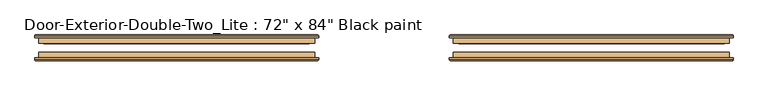
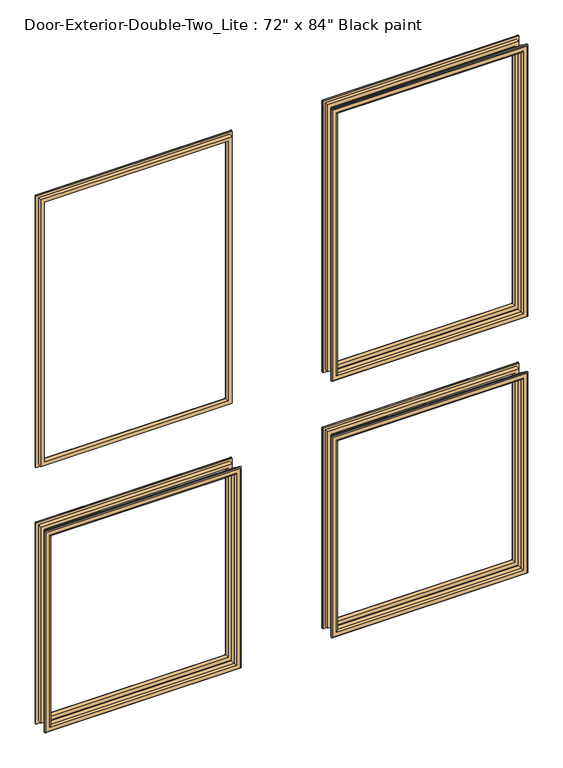
"""IFC4 building model written with IfcOpenShell, lengths in millimetres: door geometry."""

from ifc_helpers import new_model, si_unit, frame, origin, place, context, project, spatial, ellipse_curve, source, transform, mapped, element, save
from ifc_brep_helpers import plane_surface, cylinder_surface, advanced_brep


def door_e8e36a1f(model_context):
    return source(origin(), model_context, "Body", "AdvancedBrep", [
        advanced_brep(
        [(-762.0, 136.525, 914.4), (-762.0, 149.225, 914.4), (-762.0, 149.225, 254.0), (-762.0, 136.525, 254.0), (-750.0, 150.225, 902.4), (-750.0, 136.525, 902.4), (-750.0, 136.525, 266.0), (-750.0, 150.225, 266.0), (-755.0, 155.225, 907.4), (-755.0, 155.225, 261.0), (-770.0, 153.225, 922.4), (-768.0, 155.225, 920.4), (-768.0, 155.225, 248.0), (-770.0, 153.225, 246.0), (-770.0, 149.225, 922.4), (-770.0, 149.225, 246.0), (-152.4, 149.225, 254.0), (-152.4, 136.525, 254.0), (-164.4, 136.525, 266.0), (-164.4, 150.225, 266.0), (-159.4, 155.225, 261.0), (-146.4, 155.225, 248.0), (-144.4, 153.225, 246.0), (-144.4, 149.225, 246.0), (-152.4, 149.225, 914.4), (-152.4, 136.525, 914.4), (-164.4, 136.525, 902.4), (-164.4, 150.225, 902.4), (-159.4, 155.225, 907.4), (-146.4, 155.225, 920.4), (-144.4, 153.225, 922.4), (-144.4, 149.225, 922.4)],
        [
            (0, 1),
            (1, 2),
            (2, 3),
            (3, 0),
            (4, 5),
            (5, 6),
            (6, 7),
            (7, 4),
            (8, 4, ellipse_curve(frame((-755.0, 150.225, 907.4), z_axis=(-0.7071067811865475, 0.0, -0.7071067811865475), x_axis=(-0.7071067811865474, 0.0, 0.7071067811865476)), 7.0710678, 5.0)),
            (7, 9, ellipse_curve(frame((-755.0, 150.225, 261.0), z_axis=(-0.7071067811865475, 0.0, 0.7071067811865475), x_axis=(0.7071067811865474, 0.0, 0.7071067811865476)), 7.0710678, 5.0)),
            (9, 8),
            (10, 11, ellipse_curve(frame((-768.0, 153.225, 920.4), z_axis=(-0.7071067811865475, 0.0, -0.7071067811865475), x_axis=(-0.7071067811865474, 0.0, 0.7071067811865476)), 2.8284271, 2.0)),
            (11, 12),
            (12, 13, ellipse_curve(frame((-768.0, 153.225, 248.0), z_axis=(-0.7071067811865475, 0.0, 0.7071067811865475), x_axis=(0.7071067811865474, 0.0, 0.7071067811865476)), 2.8284271, 2.0)),
            (13, 10),
            (14, 10),
            (13, 15),
            (15, 14),
            (2, 16),
            (16, 17),
            (17, 3),
            (6, 18),
            (18, 19),
            (19, 7),
            (19, 20, ellipse_curve(frame((-159.4, 150.225, 261.0), z_axis=(-0.7071067811865475, 0.0, -0.7071067811865475), x_axis=(-0.7071067811865476, 0.0, 0.7071067811865474)), 7.0710678, 5.0)),
            (20, 9),
            (12, 21),
            (21, 22, ellipse_curve(frame((-146.4, 153.225, 248.0), z_axis=(-0.7071067811865475, 0.0, -0.7071067811865475), x_axis=(-0.7071067811865476, 0.0, 0.7071067811865474)), 2.8284271, 2.0)),
            (22, 13),
            (22, 23),
            (23, 15),
            (16, 24),
            (24, 25),
            (25, 17),
            (18, 26),
            (26, 27),
            (27, 19),
            (27, 28, ellipse_curve(frame((-159.4, 150.225, 907.4), z_axis=(0.7071067811865475, 0.0, -0.7071067811865475), x_axis=(-0.7071067811865474, 0.0, -0.7071067811865476)), 7.0710678, 5.0)),
            (28, 20),
            (21, 29),
            (29, 30, ellipse_curve(frame((-146.4, 153.225, 920.4), z_axis=(0.7071067811865475, 0.0, -0.7071067811865475), x_axis=(-0.7071067811865474, 0.0, -0.7071067811865476)), 2.8284271, 2.0)),
            (30, 22),
            (30, 31),
            (31, 23),
            (31, 14),
            (1, 24),
            (0, 25),
            (5, 26),
            (4, 27),
            (8, 28),
            (11, 29),
            (10, 30),
        ],
        [
            plane_surface(frame((-762.0, 149.225, 914.4), z_axis=(-1.0, 0.0, 0.0), x_axis=(0.0, 0.0, -1.0))),
            plane_surface(frame((-750.0, 136.525, 902.4), z_axis=(1.0, 0.0, 0.0), x_axis=(0.0, 0.0, -1.0))),
            cylinder_surface(frame((-755.0, 150.225, 914.4), z_axis=(0.0, 0.0, 1.0), x_axis=(-1.0, 0.0, 0.0)), 5.0),
            cylinder_surface(frame((-768.0, 153.225, 914.4), z_axis=(0.0, 0.0, 1.0), x_axis=(-1.0, 0.0, 0.0)), 2.0),
            plane_surface(frame((-770.0, 153.225, 922.4), z_axis=(-1.0, 0.0, 0.0), x_axis=(0.0, 0.0, -1.0))),
            plane_surface(frame((-762.0, 149.225, 254.0), z_axis=(0.0, 0.0, -1.0), x_axis=(1.0, 0.0, 0.0))),
            plane_surface(frame((-750.0, 136.525, 266.0), z_axis=(0.0, 0.0, 1.0), x_axis=(1.0, 0.0, 0.0))),
            cylinder_surface(frame((-762.0, 150.225, 261.0), z_axis=(-1.0, 0.0, 0.0), x_axis=(0.0, 0.0, -1.0)), 5.0),
            cylinder_surface(frame((-762.0, 153.225, 248.0), z_axis=(-1.0, 0.0, 0.0), x_axis=(0.0, 0.0, -1.0)), 2.0),
            plane_surface(frame((-770.0, 153.225, 246.0), z_axis=(0.0, 0.0, -1.0), x_axis=(1.0, 0.0, 0.0))),
            plane_surface(frame((-152.4, 149.225, 254.0), z_axis=(1.0, 0.0, 0.0), x_axis=(0.0, 0.0, 1.0))),
            plane_surface(frame((-164.4, 136.525, 266.0), z_axis=(-1.0, 0.0, 0.0), x_axis=(0.0, 0.0, 1.0))),
            cylinder_surface(frame((-159.4, 150.225, 254.0), z_axis=(0.0, 0.0, -1.0), x_axis=(1.0, 0.0, 0.0)), 5.0),
            cylinder_surface(frame((-146.4, 153.225, 254.0), z_axis=(0.0, 0.0, -1.0), x_axis=(1.0, 0.0, 0.0)), 2.0),
            plane_surface(frame((-144.4, 153.225, 246.0), z_axis=(1.0, 0.0, 0.0), x_axis=(0.0, 0.0, 1.0))),
            plane_surface(frame((-144.4, 149.225, 922.4), z_axis=(0.0, -1.0, 0.0), x_axis=(-1.0, 0.0, 0.0))),
            plane_surface(frame((-152.4, 149.225, 914.4), z_axis=(0.0, 0.0, 1.0), x_axis=(-1.0, 0.0, 0.0))),
            plane_surface(frame((-152.4, 136.525, 914.4), z_axis=(0.0, -1.0, 0.0), x_axis=(-1.0, 0.0, 0.0))),
            plane_surface(frame((-164.4, 136.525, 902.4), z_axis=(0.0, 0.0, -1.0), x_axis=(-1.0, 0.0, 0.0))),
            cylinder_surface(frame((-152.4, 150.225, 907.4), z_axis=(1.0, 0.0, 0.0), x_axis=(0.0, 0.0, 1.0)), 5.0),
            plane_surface(frame((-159.4, 155.225, 907.4), z_axis=(0.0, 1.0, 0.0), x_axis=(-1.0, 0.0, 0.0))),
            cylinder_surface(frame((-152.4, 153.225, 920.4), z_axis=(1.0, 0.0, 0.0), x_axis=(0.0, 0.0, 1.0)), 2.0),
            plane_surface(frame((-144.4, 153.225, 922.4), z_axis=(0.0, 0.0, 1.0), x_axis=(-1.0, 0.0, 0.0))),
        ],
        [
            (0, [[1, 2, 3, 4]]),
            (1, [[5, 6, 7, 8]]),
            (2, [[9, -8, 10, 11]]),
            (3, [[12, 13, 14, 15]]),
            (4, [[16, -15, 17, 18]]),
            (5, [[-3, 19, 20, 21]]),
            (6, [[-7, 22, 23, 24]]),
            (7, [[-10, -24, 25, 26]]),
            (8, [[-14, 27, 28, 29]]),
            (9, [[-17, -29, 30, 31]]),
            (10, [[-20, 32, 33, 34]]),
            (11, [[-23, 35, 36, 37]]),
            (12, [[-25, -37, 38, 39]]),
            (13, [[-28, 40, 41, 42]]),
            (14, [[-30, -42, 43, 44]]),
            (15, [[-31, -44, 45, -18], [46, -32, -19, -2]]),
            (16, [[-33, -46, -1, 47]]),
            (17, [[-21, -34, -47, -4], [48, -35, -22, -6]]),
            (18, [[-36, -48, -5, 49]]),
            (19, [[-38, -49, -9, 50]]),
            (20, [[51, -40, -27, -13], [-26, -39, -50, -11]]),
            (21, [[-41, -51, -12, 52]]),
            (22, [[-43, -52, -16, -45]]),
        ],
    ),
        advanced_brep(
        [(152.4, 136.525, 914.4), (152.4, 149.225, 914.4), (152.4, 149.225, 254.0), (152.4, 136.525, 254.0), (164.4, 150.225, 902.4), (164.4, 136.525, 902.4), (164.4, 136.525, 266.0), (164.4, 150.225, 266.0), (159.4, 155.225, 907.4), (159.4, 155.225, 261.0), (144.4, 153.225, 922.4), (146.4, 155.225, 920.4), (146.4, 155.225, 248.0), (144.4, 153.225, 246.0), (144.4, 149.225, 922.4), (144.4, 149.225, 246.0), (762.0, 149.225, 254.0), (762.0, 136.525, 254.0), (750.0, 136.525, 266.0), (750.0, 150.225, 266.0), (755.0, 155.225, 261.0), (768.0, 155.225, 248.0), (770.0, 153.225, 246.0), (770.0, 149.225, 246.0), (762.0, 149.225, 914.4), (762.0, 136.525, 914.4), (750.0, 136.525, 902.4), (750.0, 150.225, 902.4), (755.0, 155.225, 907.4), (768.0, 155.225, 920.4), (770.0, 153.225, 922.4), (770.0, 149.225, 922.4)],
        [
            (0, 1),
            (1, 2),
            (2, 3),
            (3, 0),
            (4, 5),
            (5, 6),
            (6, 7),
            (7, 4),
            (8, 4, ellipse_curve(frame((159.4, 150.225, 907.4), z_axis=(-0.7071067811865475, 0.0, -0.7071067811865475), x_axis=(-0.7071067811865474, 0.0, 0.7071067811865476)), 7.0710678, 5.0)),
            (7, 9, ellipse_curve(frame((159.4, 150.225, 261.0), z_axis=(-0.7071067811865475, 0.0, 0.7071067811865475), x_axis=(0.7071067811865474, 0.0, 0.7071067811865476)), 7.0710678, 5.0)),
            (9, 8),
            (10, 11, ellipse_curve(frame((146.4, 153.225, 920.4), z_axis=(-0.7071067811865475, 0.0, -0.7071067811865475), x_axis=(-0.7071067811865474, 0.0, 0.7071067811865476)), 2.8284271, 2.0)),
            (11, 12),
            (12, 13, ellipse_curve(frame((146.4, 153.225, 248.0), z_axis=(-0.7071067811865475, 0.0, 0.7071067811865475), x_axis=(0.7071067811865474, 0.0, 0.7071067811865476)), 2.8284271, 2.0)),
            (13, 10),
            (14, 10),
            (13, 15),
            (15, 14),
            (2, 16),
            (16, 17),
            (17, 3),
            (6, 18),
            (18, 19),
            (19, 7),
            (19, 20, ellipse_curve(frame((755.0, 150.225, 261.0), z_axis=(-0.7071067811865475, 0.0, -0.7071067811865475), x_axis=(-0.7071067811865476, 0.0, 0.7071067811865474)), 7.0710678, 5.0)),
            (20, 9),
            (12, 21),
            (21, 22, ellipse_curve(frame((768.0, 153.225, 248.0), z_axis=(-0.7071067811865475, 0.0, -0.7071067811865475), x_axis=(-0.7071067811865476, 0.0, 0.7071067811865474)), 2.8284271, 2.0)),
            (22, 13),
            (22, 23),
            (23, 15),
            (16, 24),
            (24, 25),
            (25, 17),
            (18, 26),
            (26, 27),
            (27, 19),
            (27, 28, ellipse_curve(frame((755.0, 150.225, 907.4), z_axis=(0.7071067811865475, 0.0, -0.7071067811865475), x_axis=(-0.7071067811865474, 0.0, -0.7071067811865476)), 7.0710678, 5.0)),
            (28, 20),
            (21, 29),
            (29, 30, ellipse_curve(frame((768.0, 153.225, 920.4), z_axis=(0.7071067811865475, 0.0, -0.7071067811865475), x_axis=(-0.7071067811865474, 0.0, -0.7071067811865476)), 2.8284271, 2.0)),
            (30, 22),
            (30, 31),
            (31, 23),
            (31, 14),
            (1, 24),
            (0, 25),
            (5, 26),
            (4, 27),
            (8, 28),
            (11, 29),
            (10, 30),
        ],
        [
            plane_surface(frame((152.4, 149.225, 914.4), z_axis=(-1.0, 0.0, 0.0), x_axis=(0.0, 0.0, -1.0))),
            plane_surface(frame((164.4, 136.525, 902.4), z_axis=(1.0, 0.0, 0.0), x_axis=(0.0, 0.0, -1.0))),
            cylinder_surface(frame((159.4, 150.225, 914.4), z_axis=(0.0, 0.0, 1.0), x_axis=(-1.0, 0.0, 0.0)), 5.0),
            cylinder_surface(frame((146.4, 153.225, 914.4), z_axis=(0.0, 0.0, 1.0), x_axis=(-1.0, 0.0, 0.0)), 2.0),
            plane_surface(frame((144.4, 153.225, 922.4), z_axis=(-1.0, 0.0, 0.0), x_axis=(0.0, 0.0, -1.0))),
            plane_surface(frame((152.4, 149.225, 254.0), z_axis=(0.0, 0.0, -1.0), x_axis=(1.0, 0.0, 0.0))),
            plane_surface(frame((164.4, 136.525, 266.0), z_axis=(0.0, 0.0, 1.0), x_axis=(1.0, 0.0, 0.0))),
            cylinder_surface(frame((152.4, 150.225, 261.0), z_axis=(-1.0, 0.0, 0.0), x_axis=(0.0, 0.0, -1.0)), 5.0),
            cylinder_surface(frame((152.4, 153.225, 248.0), z_axis=(-1.0, 0.0, 0.0), x_axis=(0.0, 0.0, -1.0)), 2.0),
            plane_surface(frame((144.4, 153.225, 246.0), z_axis=(0.0, 0.0, -1.0), x_axis=(1.0, 0.0, 0.0))),
            plane_surface(frame((762.0, 149.225, 254.0), z_axis=(1.0, 0.0, 0.0), x_axis=(0.0, 0.0, 1.0))),
            plane_surface(frame((750.0, 136.525, 266.0), z_axis=(-1.0, 0.0, 0.0), x_axis=(0.0, 0.0, 1.0))),
            cylinder_surface(frame((755.0, 150.225, 254.0), z_axis=(0.0, 0.0, -1.0), x_axis=(1.0, 0.0, 0.0)), 5.0),
            cylinder_surface(frame((768.0, 153.225, 254.0), z_axis=(0.0, 0.0, -1.0), x_axis=(1.0, 0.0, 0.0)), 2.0),
            plane_surface(frame((770.0, 153.225, 246.0), z_axis=(1.0, 0.0, 0.0), x_axis=(0.0, 0.0, 1.0))),
            plane_surface(frame((770.0, 149.225, 922.4), z_axis=(0.0, -1.0, 0.0), x_axis=(-1.0, 0.0, 0.0))),
            plane_surface(frame((762.0, 149.225, 914.4), z_axis=(0.0, 0.0, 1.0), x_axis=(-1.0, 0.0, 0.0))),
            plane_surface(frame((762.0, 136.525, 914.4), z_axis=(0.0, -1.0, 0.0), x_axis=(-1.0, 0.0, 0.0))),
            plane_surface(frame((750.0, 136.525, 902.4), z_axis=(0.0, 0.0, -1.0), x_axis=(-1.0, 0.0, 0.0))),
            cylinder_surface(frame((762.0, 150.225, 907.4), z_axis=(1.0, 0.0, 0.0), x_axis=(0.0, 0.0, 1.0)), 5.0),
            plane_surface(frame((755.0, 155.225, 907.4), z_axis=(0.0, 1.0, 0.0), x_axis=(-1.0, 0.0, 0.0))),
            cylinder_surface(frame((762.0, 153.225, 920.4), z_axis=(1.0, 0.0, 0.0), x_axis=(0.0, 0.0, 1.0)), 2.0),
            plane_surface(frame((770.0, 153.225, 922.4), z_axis=(0.0, 0.0, 1.0), x_axis=(-1.0, 0.0, 0.0))),
        ],
        [
            (0, [[1, 2, 3, 4]]),
            (1, [[5, 6, 7, 8]]),
            (2, [[9, -8, 10, 11]]),
            (3, [[12, 13, 14, 15]]),
            (4, [[16, -15, 17, 18]]),
            (5, [[-3, 19, 20, 21]]),
            (6, [[-7, 22, 23, 24]]),
            (7, [[-10, -24, 25, 26]]),
            (8, [[-14, 27, 28, 29]]),
            (9, [[-17, -29, 30, 31]]),
            (10, [[-20, 32, 33, 34]]),
            (11, [[-23, 35, 36, 37]]),
            (12, [[-25, -37, 38, 39]]),
            (13, [[-28, 40, 41, 42]]),
            (14, [[-30, -42, 43, 44]]),
            (15, [[-31, -44, 45, -18], [46, -32, -19, -2]]),
            (16, [[-33, -46, -1, 47]]),
            (17, [[-21, -34, -47, -4], [48, -35, -22, -6]]),
            (18, [[-36, -48, -5, 49]]),
            (19, [[-38, -49, -9, 50]]),
            (20, [[51, -40, -27, -13], [-26, -39, -50, -11]]),
            (21, [[-41, -51, -12, 52]]),
            (22, [[-43, -52, -16, -45]]),
        ],
    ),
        advanced_brep(
        [(152.4, 136.525, 2016.125), (152.4, 149.225, 2016.125), (152.4, 149.225, 1117.6), (152.4, 136.525, 1117.6), (164.4, 150.225, 2004.125), (164.4, 136.525, 2004.125), (164.4, 136.525, 1129.6), (164.4, 150.225, 1129.6), (159.4, 155.225, 2009.125), (159.4, 155.225, 1124.6), (144.4, 153.225, 2024.125), (146.4, 155.225, 2022.125), (146.4, 155.225, 1111.6), (144.4, 153.225, 1109.6), (144.4, 149.225, 2024.125), (144.4, 149.225, 1109.6), (762.0, 149.225, 1117.6), (762.0, 136.525, 1117.6), (750.0, 136.525, 1129.6), (750.0, 150.225, 1129.6), (755.0, 155.225, 1124.6), (768.0, 155.225, 1111.6), (770.0, 153.225, 1109.6), (770.0, 149.225, 1109.6), (762.0, 149.225, 2016.125), (762.0, 136.525, 2016.125), (750.0, 136.525, 2004.125), (750.0, 150.225, 2004.125), (755.0, 155.225, 2009.125), (768.0, 155.225, 2022.125), (770.0, 153.225, 2024.125), (770.0, 149.225, 2024.125)],
        [
            (0, 1),
            (1, 2),
            (2, 3),
            (3, 0),
            (4, 5),
            (5, 6),
            (6, 7),
            (7, 4),
            (8, 4, ellipse_curve(frame((159.4, 150.225, 2009.125), z_axis=(-0.7071067811865475, 0.0, -0.7071067811865475), x_axis=(-0.7071067811865474, 0.0, 0.7071067811865476)), 7.0710678, 5.0)),
            (7, 9, ellipse_curve(frame((159.4, 150.225, 1124.6), z_axis=(-0.7071067811865475, 0.0, 0.7071067811865475), x_axis=(0.7071067811865474, 0.0, 0.7071067811865476)), 7.0710678, 5.0)),
            (9, 8),
            (10, 11, ellipse_curve(frame((146.4, 153.225, 2022.125), z_axis=(-0.7071067811865475, 0.0, -0.7071067811865475), x_axis=(-0.7071067811865474, 0.0, 0.7071067811865476)), 2.8284271, 2.0)),
            (11, 12),
            (12, 13, ellipse_curve(frame((146.4, 153.225, 1111.6), z_axis=(-0.7071067811865475, 0.0, 0.7071067811865475), x_axis=(0.7071067811865474, 0.0, 0.7071067811865476)), 2.8284271, 2.0)),
            (13, 10),
            (14, 10),
            (13, 15),
            (15, 14),
            (2, 16),
            (16, 17),
            (17, 3),
            (6, 18),
            (18, 19),
            (19, 7),
            (19, 20, ellipse_curve(frame((755.0, 150.225, 1124.6), z_axis=(-0.7071067811865475, 0.0, -0.7071067811865475), x_axis=(-0.7071067811865476, 0.0, 0.7071067811865474)), 7.0710678, 5.0)),
            (20, 9),
            (12, 21),
            (21, 22, ellipse_curve(frame((768.0, 153.225, 1111.6), z_axis=(-0.7071067811865475, 0.0, -0.7071067811865475), x_axis=(-0.7071067811865476, 0.0, 0.7071067811865474)), 2.8284271, 2.0)),
            (22, 13),
            (22, 23),
            (23, 15),
            (16, 24),
            (24, 25),
            (25, 17),
            (18, 26),
            (26, 27),
            (27, 19),
            (27, 28, ellipse_curve(frame((755.0, 150.225, 2009.125), z_axis=(0.7071067811865475, 0.0, -0.7071067811865475), x_axis=(-0.7071067811865474, 0.0, -0.7071067811865476)), 7.0710678, 5.0)),
            (28, 20),
            (21, 29),
            (29, 30, ellipse_curve(frame((768.0, 153.225, 2022.125), z_axis=(0.7071067811865475, 0.0, -0.7071067811865475), x_axis=(-0.7071067811865474, 0.0, -0.7071067811865476)), 2.8284271, 2.0)),
            (30, 22),
            (30, 31),
            (31, 23),
            (31, 14),
            (1, 24),
            (0, 25),
            (5, 26),
            (4, 27),
            (8, 28),
            (11, 29),
            (10, 30),
        ],
        [
            plane_surface(frame((152.4, 149.225, 2016.125), z_axis=(-1.0, 0.0, 0.0), x_axis=(0.0, 0.0, -1.0))),
            plane_surface(frame((164.4, 136.525, 2004.125), z_axis=(1.0, 0.0, 0.0), x_axis=(0.0, 0.0, -1.0))),
            cylinder_surface(frame((159.4, 150.225, 2016.125), z_axis=(0.0, 0.0, 1.0), x_axis=(-1.0, 0.0, 0.0)), 5.0),
            cylinder_surface(frame((146.4, 153.225, 2016.125), z_axis=(0.0, 0.0, 1.0), x_axis=(-1.0, 0.0, 0.0)), 2.0),
            plane_surface(frame((144.4, 153.225, 2024.125), z_axis=(-1.0, 0.0, 0.0), x_axis=(0.0, 0.0, -1.0))),
            plane_surface(frame((152.4, 149.225, 1117.6), z_axis=(0.0, 0.0, -1.0), x_axis=(1.0, 0.0, 0.0))),
            plane_surface(frame((164.4, 136.525, 1129.6), z_axis=(0.0, 0.0, 1.0), x_axis=(1.0, 0.0, 0.0))),
            cylinder_surface(frame((152.4, 150.225, 1124.6), z_axis=(-1.0, 0.0, 0.0), x_axis=(0.0, 0.0, -1.0)), 5.0),
            cylinder_surface(frame((152.4, 153.225, 1111.6), z_axis=(-1.0, 0.0, 0.0), x_axis=(0.0, 0.0, -1.0)), 2.0),
            plane_surface(frame((144.4, 153.225, 1109.6), z_axis=(0.0, 0.0, -1.0), x_axis=(1.0, 0.0, 0.0))),
            plane_surface(frame((762.0, 149.225, 1117.6), z_axis=(1.0, 0.0, 0.0), x_axis=(0.0, 0.0, 1.0))),
            plane_surface(frame((750.0, 136.525, 1129.6), z_axis=(-1.0, 0.0, 0.0), x_axis=(0.0, 0.0, 1.0))),
            cylinder_surface(frame((755.0, 150.225, 1117.6), z_axis=(0.0, 0.0, -1.0), x_axis=(1.0, 0.0, 0.0)), 5.0),
            cylinder_surface(frame((768.0, 153.225, 1117.6), z_axis=(0.0, 0.0, -1.0), x_axis=(1.0, 0.0, 0.0)), 2.0),
            plane_surface(frame((770.0, 153.225, 1109.6), z_axis=(1.0, 0.0, 0.0), x_axis=(0.0, 0.0, 1.0))),
            plane_surface(frame((770.0, 149.225, 2024.125), z_axis=(0.0, -1.0, 0.0), x_axis=(-1.0, 0.0, 0.0))),
            plane_surface(frame((762.0, 149.225, 2016.125), z_axis=(0.0, 0.0, 1.0), x_axis=(-1.0, 0.0, 0.0))),
            plane_surface(frame((762.0, 136.525, 2016.125), z_axis=(0.0, -1.0, 0.0), x_axis=(-1.0, 0.0, 0.0))),
            plane_surface(frame((750.0, 136.525, 2004.125), z_axis=(0.0, 0.0, -1.0), x_axis=(-1.0, 0.0, 0.0))),
            cylinder_surface(frame((762.0, 150.225, 2009.125), z_axis=(1.0, 0.0, 0.0), x_axis=(0.0, 0.0, 1.0)), 5.0),
            plane_surface(frame((755.0, 155.225, 2009.125), z_axis=(0.0, 1.0, 0.0), x_axis=(-1.0, 0.0, 0.0))),
            cylinder_surface(frame((762.0, 153.225, 2022.125), z_axis=(1.0, 0.0, 0.0), x_axis=(0.0, 0.0, 1.0)), 2.0),
            plane_surface(frame((770.0, 153.225, 2024.125), z_axis=(0.0, 0.0, 1.0), x_axis=(-1.0, 0.0, 0.0))),
        ],
        [
            (0, [[1, 2, 3, 4]]),
            (1, [[5, 6, 7, 8]]),
            (2, [[9, -8, 10, 11]]),
            (3, [[12, 13, 14, 15]]),
            (4, [[16, -15, 17, 18]]),
            (5, [[-3, 19, 20, 21]]),
            (6, [[-7, 22, 23, 24]]),
            (7, [[-10, -24, 25, 26]]),
            (8, [[-14, 27, 28, 29]]),
            (9, [[-17, -29, 30, 31]]),
            (10, [[-20, 32, 33, 34]]),
            (11, [[-23, 35, 36, 37]]),
            (12, [[-25, -37, 38, 39]]),
            (13, [[-28, 40, 41, 42]]),
            (14, [[-30, -42, 43, 44]]),
            (15, [[-31, -44, 45, -18], [46, -32, -19, -2]]),
            (16, [[-33, -46, -1, 47]]),
            (17, [[-21, -34, -47, -4], [48, -35, -22, -6]]),
            (18, [[-36, -48, -5, 49]]),
            (19, [[-38, -49, -9, 50]]),
            (20, [[51, -40, -27, -13], [-26, -39, -50, -11]]),
            (21, [[-41, -51, -12, 52]]),
            (22, [[-43, -52, -16, -45]]),
        ],
    ),
        advanced_brep(
        [(-762.0, 136.525, 2016.125), (-762.0, 149.225, 2016.125), (-762.0, 149.225, 1117.6), (-762.0, 136.525, 1117.6), (-750.0, 150.225, 2004.125), (-750.0, 136.525, 2004.125), (-750.0, 136.525, 1129.6), (-750.0, 150.225, 1129.6), (-755.0, 155.225, 2009.125), (-755.0, 155.225, 1124.6), (-770.0, 153.225, 2024.125), (-768.0, 155.225, 2022.125), (-768.0, 155.225, 1111.6), (-770.0, 153.225, 1109.6), (-770.0, 149.225, 2024.125), (-770.0, 149.225, 1109.6), (-152.4, 149.225, 1117.6), (-152.4, 136.525, 1117.6), (-164.4, 136.525, 1129.6), (-164.4, 150.225, 1129.6), (-159.4, 155.225, 1124.6), (-146.4, 155.225, 1111.6), (-144.4, 153.225, 1109.6), (-144.4, 149.225, 1109.6), (-152.4, 149.225, 2016.125), (-152.4, 136.525, 2016.125), (-164.4, 136.525, 2004.125), (-164.4, 150.225, 2004.125), (-159.4, 155.225, 2009.125), (-146.4, 155.225, 2022.125), (-144.4, 153.225, 2024.125), (-144.4, 149.225, 2024.125)],
        [
            (0, 1),
            (1, 2),
            (2, 3),
            (3, 0),
            (4, 5),
            (5, 6),
            (6, 7),
            (7, 4),
            (8, 4, ellipse_curve(frame((-755.0, 150.225, 2009.125), z_axis=(-0.7071067811865475, 0.0, -0.7071067811865475), x_axis=(-0.7071067811865474, 0.0, 0.7071067811865476)), 7.0710678, 5.0)),
            (7, 9, ellipse_curve(frame((-755.0, 150.225, 1124.6), z_axis=(-0.7071067811865475, 0.0, 0.7071067811865475), x_axis=(0.7071067811865474, 0.0, 0.7071067811865476)), 7.0710678, 5.0)),
            (9, 8),
            (10, 11, ellipse_curve(frame((-768.0, 153.225, 2022.125), z_axis=(-0.7071067811865475, 0.0, -0.7071067811865475), x_axis=(-0.7071067811865474, 0.0, 0.7071067811865476)), 2.8284271, 2.0)),
            (11, 12),
            (12, 13, ellipse_curve(frame((-768.0, 153.225, 1111.6), z_axis=(-0.7071067811865475, 0.0, 0.7071067811865475), x_axis=(0.7071067811865474, 0.0, 0.7071067811865476)), 2.8284271, 2.0)),
            (13, 10),
            (14, 10),
            (13, 15),
            (15, 14),
            (2, 16),
            (16, 17),
            (17, 3),
            (6, 18),
            (18, 19),
            (19, 7),
            (19, 20, ellipse_curve(frame((-159.4, 150.225, 1124.6), z_axis=(-0.7071067811865475, 0.0, -0.7071067811865475), x_axis=(-0.7071067811865476, 0.0, 0.7071067811865474)), 7.0710678, 5.0)),
            (20, 9),
            (12, 21),
            (21, 22, ellipse_curve(frame((-146.4, 153.225, 1111.6), z_axis=(-0.7071067811865475, 0.0, -0.7071067811865475), x_axis=(-0.7071067811865476, 0.0, 0.7071067811865474)), 2.8284271, 2.0)),
            (22, 13),
            (22, 23),
            (23, 15),
            (16, 24),
            (24, 25),
            (25, 17),
            (18, 26),
            (26, 27),
            (27, 19),
            (27, 28, ellipse_curve(frame((-159.4, 150.225, 2009.125), z_axis=(0.7071067811865475, 0.0, -0.7071067811865475), x_axis=(-0.7071067811865474, 0.0, -0.7071067811865476)), 7.0710678, 5.0)),
            (28, 20),
            (21, 29),
            (29, 30, ellipse_curve(frame((-146.4, 153.225, 2022.125), z_axis=(0.7071067811865475, 0.0, -0.7071067811865475), x_axis=(-0.7071067811865474, 0.0, -0.7071067811865476)), 2.8284271, 2.0)),
            (30, 22),
            (30, 31),
            (31, 23),
            (31, 14),
            (1, 24),
            (0, 25),
            (5, 26),
            (4, 27),
            (8, 28),
            (11, 29),
            (10, 30),
        ],
        [
            plane_surface(frame((-762.0, 149.225, 2016.125), z_axis=(-1.0, 0.0, 0.0), x_axis=(0.0, 0.0, -1.0))),
            plane_surface(frame((-750.0, 136.525, 2004.125), z_axis=(1.0, 0.0, 0.0), x_axis=(0.0, 0.0, -1.0))),
            cylinder_surface(frame((-755.0, 150.225, 2016.125), z_axis=(0.0, 0.0, 1.0), x_axis=(-1.0, 0.0, 0.0)), 5.0),
            cylinder_surface(frame((-768.0, 153.225, 2016.125), z_axis=(0.0, 0.0, 1.0), x_axis=(-1.0, 0.0, 0.0)), 2.0),
            plane_surface(frame((-770.0, 153.225, 2024.125), z_axis=(-1.0, 0.0, 0.0), x_axis=(0.0, 0.0, -1.0))),
            plane_surface(frame((-762.0, 149.225, 1117.6), z_axis=(0.0, 0.0, -1.0), x_axis=(1.0, 0.0, 0.0))),
            plane_surface(frame((-750.0, 136.525, 1129.6), z_axis=(0.0, 0.0, 1.0), x_axis=(1.0, 0.0, 0.0))),
            cylinder_surface(frame((-762.0, 150.225, 1124.6), z_axis=(-1.0, 0.0, 0.0), x_axis=(0.0, 0.0, -1.0)), 5.0),
            cylinder_surface(frame((-762.0, 153.225, 1111.6), z_axis=(-1.0, 0.0, 0.0), x_axis=(0.0, 0.0, -1.0)), 2.0),
            plane_surface(frame((-770.0, 153.225, 1109.6), z_axis=(0.0, 0.0, -1.0), x_axis=(1.0, 0.0, 0.0))),
            plane_surface(frame((-152.4, 149.225, 1117.6), z_axis=(1.0, 0.0, 0.0), x_axis=(0.0, 0.0, 1.0))),
            plane_surface(frame((-164.4, 136.525, 1129.6), z_axis=(-1.0, 0.0, 0.0), x_axis=(0.0, 0.0, 1.0))),
            cylinder_surface(frame((-159.4, 150.225, 1117.6), z_axis=(0.0, 0.0, -1.0), x_axis=(1.0, 0.0, 0.0)), 5.0),
            cylinder_surface(frame((-146.4, 153.225, 1117.6), z_axis=(0.0, 0.0, -1.0), x_axis=(1.0, 0.0, 0.0)), 2.0),
            plane_surface(frame((-144.4, 153.225, 1109.6), z_axis=(1.0, 0.0, 0.0), x_axis=(0.0, 0.0, 1.0))),
            plane_surface(frame((-144.4, 149.225, 2024.125), z_axis=(0.0, -1.0, 0.0), x_axis=(-1.0, 0.0, 0.0))),
            plane_surface(frame((-152.4, 149.225, 2016.125), z_axis=(0.0, 0.0, 1.0), x_axis=(-1.0, 0.0, 0.0))),
            plane_surface(frame((-152.4, 136.525, 2016.125), z_axis=(0.0, -1.0, 0.0), x_axis=(-1.0, 0.0, 0.0))),
            plane_surface(frame((-164.4, 136.525, 2004.125), z_axis=(0.0, 0.0, -1.0), x_axis=(-1.0, 0.0, 0.0))),
            cylinder_surface(frame((-152.4, 150.225, 2009.125), z_axis=(1.0, 0.0, 0.0), x_axis=(0.0, 0.0, 1.0)), 5.0),
            plane_surface(frame((-159.4, 155.225, 2009.125), z_axis=(0.0, 1.0, 0.0), x_axis=(-1.0, 0.0, 0.0))),
            cylinder_surface(frame((-152.4, 153.225, 2022.125), z_axis=(1.0, 0.0, 0.0), x_axis=(0.0, 0.0, 1.0)), 2.0),
            plane_surface(frame((-144.4, 153.225, 2024.125), z_axis=(0.0, 0.0, 1.0), x_axis=(-1.0, 0.0, 0.0))),
        ],
        [
            (0, [[1, 2, 3, 4]]),
            (1, [[5, 6, 7, 8]]),
            (2, [[9, -8, 10, 11]]),
            (3, [[12, 13, 14, 15]]),
            (4, [[16, -15, 17, 18]]),
            (5, [[-3, 19, 20, 21]]),
            (6, [[-7, 22, 23, 24]]),
            (7, [[-10, -24, 25, 26]]),
            (8, [[-14, 27, 28, 29]]),
            (9, [[-17, -29, 30, 31]]),
            (10, [[-20, 32, 33, 34]]),
            (11, [[-23, 35, 36, 37]]),
            (12, [[-25, -37, 38, 39]]),
            (13, [[-28, 40, 41, 42]]),
            (14, [[-30, -42, 43, 44]]),
            (15, [[-31, -44, 45, -18], [46, -32, -19, -2]]),
            (16, [[-33, -46, -1, 47]]),
            (17, [[-21, -34, -47, -4], [48, -35, -22, -6]]),
            (18, [[-36, -48, -5, 49]]),
            (19, [[-38, -49, -9, 50]]),
            (20, [[51, -40, -27, -13], [-26, -39, -50, -11]]),
            (21, [[-41, -51, -12, 52]]),
            (22, [[-43, -52, -16, -45]]),
        ],
    ),
        advanced_brep(
        [(-762.0, 117.475, 254.0), (-762.0, 104.775, 254.0), (-762.0, 104.775, 914.4), (-762.0, 117.475, 914.4), (-750.0, 103.775, 266.0), (-750.0, 117.475, 266.0), (-750.0, 117.475, 902.4), (-750.0, 103.775, 902.4), (-755.0, 98.775, 261.0), (-755.0, 98.775, 907.4), (-770.0, 100.775, 246.0), (-768.0, 98.775, 248.0), (-768.0, 98.775, 920.4), (-770.0, 100.775, 922.4), (-770.0, 104.775, 246.0), (-770.0, 104.775, 922.4), (-152.4, 104.775, 914.4), (-152.4, 117.475, 914.4), (-164.4, 117.475, 902.4), (-164.4, 103.775, 902.4), (-159.4, 98.775, 907.4), (-146.4, 98.775, 920.4), (-144.4, 100.775, 922.4), (-144.4, 104.775, 922.4), (-152.4, 104.775, 254.0), (-152.4, 117.475, 254.0), (-164.4, 117.475, 266.0), (-164.4, 103.775, 266.0), (-159.4, 98.775, 261.0), (-146.4, 98.775, 248.0), (-144.4, 100.775, 246.0), (-144.4, 104.775, 246.0)],
        [
            (0, 1),
            (1, 2),
            (2, 3),
            (3, 0),
            (4, 5),
            (5, 6),
            (6, 7),
            (7, 4),
            (8, 4, ellipse_curve(frame((-755.0, 103.775, 261.0), z_axis=(-0.7071067811865475, 0.0, 0.7071067811865475), x_axis=(-0.7071067811865474, 0.0, -0.7071067811865476)), 7.0710678, 5.0)),
            (7, 9, ellipse_curve(frame((-755.0, 103.775, 907.4), z_axis=(-0.7071067811865475, 0.0, -0.7071067811865475), x_axis=(0.7071067811865474, 0.0, -0.7071067811865476)), 7.0710678, 5.0)),
            (9, 8),
            (10, 11, ellipse_curve(frame((-768.0, 100.775, 248.0), z_axis=(-0.7071067811865475, 0.0, 0.7071067811865475), x_axis=(-0.7071067811865474, 0.0, -0.7071067811865476)), 2.8284271, 2.0)),
            (11, 12),
            (12, 13, ellipse_curve(frame((-768.0, 100.775, 920.4), z_axis=(-0.7071067811865475, 0.0, -0.7071067811865475), x_axis=(0.7071067811865474, 0.0, -0.7071067811865476)), 2.8284271, 2.0)),
            (13, 10),
            (14, 10),
            (13, 15),
            (15, 14),
            (2, 16),
            (16, 17),
            (17, 3),
            (6, 18),
            (18, 19),
            (19, 7),
            (19, 20, ellipse_curve(frame((-159.4, 103.775, 907.4), z_axis=(-0.7071067811865475, 0.0, 0.7071067811865475), x_axis=(-0.7071067811865476, 0.0, -0.7071067811865474)), 7.0710678, 5.0)),
            (20, 9),
            (12, 21),
            (21, 22, ellipse_curve(frame((-146.4, 100.775, 920.4), z_axis=(-0.7071067811865475, 0.0, 0.7071067811865475), x_axis=(-0.7071067811865476, 0.0, -0.7071067811865474)), 2.8284271, 2.0)),
            (22, 13),
            (22, 23),
            (23, 15),
            (16, 24),
            (24, 25),
            (25, 17),
            (18, 26),
            (26, 27),
            (27, 19),
            (27, 28, ellipse_curve(frame((-159.4, 103.775, 261.0), z_axis=(0.7071067811865475, 0.0, 0.7071067811865475), x_axis=(-0.7071067811865474, 0.0, 0.7071067811865476)), 7.0710678, 5.0)),
            (28, 20),
            (21, 29),
            (29, 30, ellipse_curve(frame((-146.4, 100.775, 248.0), z_axis=(0.7071067811865475, 0.0, 0.7071067811865475), x_axis=(-0.7071067811865474, 0.0, 0.7071067811865476)), 2.8284271, 2.0)),
            (30, 22),
            (30, 31),
            (31, 23),
            (31, 14),
            (1, 24),
            (0, 25),
            (5, 26),
            (4, 27),
            (8, 28),
            (11, 29),
            (10, 30),
        ],
        [
            plane_surface(frame((-762.0, 104.775, 254.0), z_axis=(-1.0, 0.0, 0.0), x_axis=(0.0, 0.0, 1.0))),
            plane_surface(frame((-750.0, 117.475, 266.0), z_axis=(1.0, 0.0, 0.0), x_axis=(0.0, 0.0, 1.0))),
            cylinder_surface(frame((-755.0, 103.775, 254.0), z_axis=(0.0, 0.0, -1.0), x_axis=(-1.0, 0.0, 0.0)), 5.0),
            cylinder_surface(frame((-768.0, 100.775, 254.0), z_axis=(0.0, 0.0, -1.0), x_axis=(-1.0, 0.0, 0.0)), 2.0),
            plane_surface(frame((-770.0, 100.775, 246.0), z_axis=(-1.0, 0.0, 0.0), x_axis=(0.0, 0.0, 1.0))),
            plane_surface(frame((-762.0, 104.775, 914.4), z_axis=(0.0, 0.0, 1.0), x_axis=(1.0, 0.0, 0.0))),
            plane_surface(frame((-750.0, 117.475, 902.4), z_axis=(0.0, 0.0, -1.0), x_axis=(1.0, 0.0, 0.0))),
            cylinder_surface(frame((-762.0, 103.775, 907.4), z_axis=(-1.0, 0.0, 0.0), x_axis=(0.0, 0.0, 1.0)), 5.0),
            cylinder_surface(frame((-762.0, 100.775, 920.4), z_axis=(-1.0, 0.0, 0.0), x_axis=(0.0, 0.0, 1.0)), 2.0),
            plane_surface(frame((-770.0, 100.775, 922.4), z_axis=(0.0, 0.0, 1.0), x_axis=(1.0, 0.0, 0.0))),
            plane_surface(frame((-152.4, 104.775, 914.4), z_axis=(1.0, 0.0, 0.0), x_axis=(0.0, 0.0, -1.0))),
            plane_surface(frame((-164.4, 117.475, 902.4), z_axis=(-1.0, 0.0, 0.0), x_axis=(0.0, 0.0, -1.0))),
            cylinder_surface(frame((-159.4, 103.775, 914.4), z_axis=(0.0, 0.0, 1.0), x_axis=(1.0, 0.0, 0.0)), 5.0),
            cylinder_surface(frame((-146.4, 100.775, 914.4), z_axis=(0.0, 0.0, 1.0), x_axis=(1.0, 0.0, 0.0)), 2.0),
            plane_surface(frame((-144.4, 100.775, 922.4), z_axis=(1.0, 0.0, 0.0), x_axis=(0.0, 0.0, -1.0))),
            plane_surface(frame((-144.4, 104.775, 246.0), z_axis=(0.0, 1.0, 0.0), x_axis=(-1.0, 0.0, 0.0))),
            plane_surface(frame((-152.4, 104.775, 254.0), z_axis=(0.0, 0.0, -1.0), x_axis=(-1.0, 0.0, 0.0))),
            plane_surface(frame((-152.4, 117.475, 254.0), z_axis=(0.0, 1.0, 0.0), x_axis=(-1.0, 0.0, 0.0))),
            plane_surface(frame((-164.4, 117.475, 266.0), z_axis=(0.0, 0.0, 1.0), x_axis=(-1.0, 0.0, 0.0))),
            cylinder_surface(frame((-152.4, 103.775, 261.0), z_axis=(1.0, 0.0, 0.0), x_axis=(0.0, 0.0, -1.0)), 5.0),
            plane_surface(frame((-159.4, 98.775, 261.0), z_axis=(0.0, -1.0, 0.0), x_axis=(-1.0, 0.0, 0.0))),
            cylinder_surface(frame((-152.4, 100.775, 248.0), z_axis=(1.0, 0.0, 0.0), x_axis=(0.0, 0.0, -1.0)), 2.0),
            plane_surface(frame((-144.4, 100.775, 246.0), z_axis=(0.0, 0.0, -1.0), x_axis=(-1.0, 0.0, 0.0))),
        ],
        [
            (0, [[1, 2, 3, 4]]),
            (1, [[5, 6, 7, 8]]),
            (2, [[9, -8, 10, 11]]),
            (3, [[12, 13, 14, 15]]),
            (4, [[16, -15, 17, 18]]),
            (5, [[-3, 19, 20, 21]]),
            (6, [[-7, 22, 23, 24]]),
            (7, [[-10, -24, 25, 26]]),
            (8, [[-14, 27, 28, 29]]),
            (9, [[-17, -29, 30, 31]]),
            (10, [[-20, 32, 33, 34]]),
            (11, [[-23, 35, 36, 37]]),
            (12, [[-25, -37, 38, 39]]),
            (13, [[-28, 40, 41, 42]]),
            (14, [[-30, -42, 43, 44]]),
            (15, [[-31, -44, 45, -18], [46, -32, -19, -2]]),
            (16, [[-33, -46, -1, 47]]),
            (17, [[-21, -34, -47, -4], [48, -35, -22, -6]]),
            (18, [[-36, -48, -5, 49]]),
            (19, [[-38, -49, -9, 50]]),
            (20, [[51, -40, -27, -13], [-26, -39, -50, -11]]),
            (21, [[-41, -51, -12, 52]]),
            (22, [[-43, -52, -16, -45]]),
        ],
    ),
        advanced_brep(
        [(152.4, 117.475, 254.0), (152.4, 104.775, 254.0), (152.4, 104.775, 914.4), (152.4, 117.475, 914.4), (164.4, 103.775, 266.0), (164.4, 117.475, 266.0), (164.4, 117.475, 902.4), (164.4, 103.775, 902.4), (159.4, 98.775, 261.0), (159.4, 98.775, 907.4), (144.4, 100.775, 246.0), (146.4, 98.775, 248.0), (146.4, 98.775, 920.4), (144.4, 100.775, 922.4), (144.4, 104.775, 246.0), (144.4, 104.775, 922.4), (762.0, 104.775, 914.4), (762.0, 117.475, 914.4), (750.0, 117.475, 902.4), (750.0, 103.775, 902.4), (755.0, 98.775, 907.4), (768.0, 98.775, 920.4), (770.0, 100.775, 922.4), (770.0, 104.775, 922.4), (762.0, 104.775, 254.0), (762.0, 117.475, 254.0), (750.0, 117.475, 266.0), (750.0, 103.775, 266.0), (755.0, 98.775, 261.0), (768.0, 98.775, 248.0), (770.0, 100.775, 246.0), (770.0, 104.775, 246.0)],
        [
            (0, 1),
            (1, 2),
            (2, 3),
            (3, 0),
            (4, 5),
            (5, 6),
            (6, 7),
            (7, 4),
            (8, 4, ellipse_curve(frame((159.4, 103.775, 261.0), z_axis=(-0.7071067811865475, 0.0, 0.7071067811865475), x_axis=(-0.7071067811865474, 0.0, -0.7071067811865476)), 7.0710678, 5.0)),
            (7, 9, ellipse_curve(frame((159.4, 103.775, 907.4), z_axis=(-0.7071067811865475, 0.0, -0.7071067811865475), x_axis=(0.7071067811865474, 0.0, -0.7071067811865476)), 7.0710678, 5.0)),
            (9, 8),
            (10, 11, ellipse_curve(frame((146.4, 100.775, 248.0), z_axis=(-0.7071067811865475, 0.0, 0.7071067811865475), x_axis=(-0.7071067811865474, 0.0, -0.7071067811865476)), 2.8284271, 2.0)),
            (11, 12),
            (12, 13, ellipse_curve(frame((146.4, 100.775, 920.4), z_axis=(-0.7071067811865475, 0.0, -0.7071067811865475), x_axis=(0.7071067811865474, 0.0, -0.7071067811865476)), 2.8284271, 2.0)),
            (13, 10),
            (14, 10),
            (13, 15),
            (15, 14),
            (2, 16),
            (16, 17),
            (17, 3),
            (6, 18),
            (18, 19),
            (19, 7),
            (19, 20, ellipse_curve(frame((755.0, 103.775, 907.4), z_axis=(-0.7071067811865475, 0.0, 0.7071067811865475), x_axis=(-0.7071067811865476, 0.0, -0.7071067811865474)), 7.0710678, 5.0)),
            (20, 9),
            (12, 21),
            (21, 22, ellipse_curve(frame((768.0, 100.775, 920.4), z_axis=(-0.7071067811865475, 0.0, 0.7071067811865475), x_axis=(-0.7071067811865476, 0.0, -0.7071067811865474)), 2.8284271, 2.0)),
            (22, 13),
            (22, 23),
            (23, 15),
            (16, 24),
            (24, 25),
            (25, 17),
            (18, 26),
            (26, 27),
            (27, 19),
            (27, 28, ellipse_curve(frame((755.0, 103.775, 261.0), z_axis=(0.7071067811865475, 0.0, 0.7071067811865475), x_axis=(-0.7071067811865474, 0.0, 0.7071067811865476)), 7.0710678, 5.0)),
            (28, 20),
            (21, 29),
            (29, 30, ellipse_curve(frame((768.0, 100.775, 248.0), z_axis=(0.7071067811865475, 0.0, 0.7071067811865475), x_axis=(-0.7071067811865474, 0.0, 0.7071067811865476)), 2.8284271, 2.0)),
            (30, 22),
            (30, 31),
            (31, 23),
            (31, 14),
            (1, 24),
            (0, 25),
            (5, 26),
            (4, 27),
            (8, 28),
            (11, 29),
            (10, 30),
        ],
        [
            plane_surface(frame((152.4, 104.775, 254.0), z_axis=(-1.0, 0.0, 0.0), x_axis=(0.0, 0.0, 1.0))),
            plane_surface(frame((164.4, 117.475, 266.0), z_axis=(1.0, 0.0, 0.0), x_axis=(0.0, 0.0, 1.0))),
            cylinder_surface(frame((159.4, 103.775, 254.0), z_axis=(0.0, 0.0, -1.0), x_axis=(-1.0, 0.0, 0.0)), 5.0),
            cylinder_surface(frame((146.4, 100.775, 254.0), z_axis=(0.0, 0.0, -1.0), x_axis=(-1.0, 0.0, 0.0)), 2.0),
            plane_surface(frame((144.4, 100.775, 246.0), z_axis=(-1.0, 0.0, 0.0), x_axis=(0.0, 0.0, 1.0))),
            plane_surface(frame((152.4, 104.775, 914.4), z_axis=(0.0, 0.0, 1.0), x_axis=(1.0, 0.0, 0.0))),
            plane_surface(frame((164.4, 117.475, 902.4), z_axis=(0.0, 0.0, -1.0), x_axis=(1.0, 0.0, 0.0))),
            cylinder_surface(frame((152.4, 103.775, 907.4), z_axis=(-1.0, 0.0, 0.0), x_axis=(0.0, 0.0, 1.0)), 5.0),
            cylinder_surface(frame((152.4, 100.775, 920.4), z_axis=(-1.0, 0.0, 0.0), x_axis=(0.0, 0.0, 1.0)), 2.0),
            plane_surface(frame((144.4, 100.775, 922.4), z_axis=(0.0, 0.0, 1.0), x_axis=(1.0, 0.0, 0.0))),
            plane_surface(frame((762.0, 104.775, 914.4), z_axis=(1.0, 0.0, 0.0), x_axis=(0.0, 0.0, -1.0))),
            plane_surface(frame((750.0, 117.475, 902.4), z_axis=(-1.0, 0.0, 0.0), x_axis=(0.0, 0.0, -1.0))),
            cylinder_surface(frame((755.0, 103.775, 914.4), z_axis=(0.0, 0.0, 1.0), x_axis=(1.0, 0.0, 0.0)), 5.0),
            cylinder_surface(frame((768.0, 100.775, 914.4), z_axis=(0.0, 0.0, 1.0), x_axis=(1.0, 0.0, 0.0)), 2.0),
            plane_surface(frame((770.0, 100.775, 922.4), z_axis=(1.0, 0.0, 0.0), x_axis=(0.0, 0.0, -1.0))),
            plane_surface(frame((770.0, 104.775, 246.0), z_axis=(0.0, 1.0, 0.0), x_axis=(-1.0, 0.0, 0.0))),
            plane_surface(frame((762.0, 104.775, 254.0), z_axis=(0.0, 0.0, -1.0), x_axis=(-1.0, 0.0, 0.0))),
            plane_surface(frame((762.0, 117.475, 254.0), z_axis=(0.0, 1.0, 0.0), x_axis=(-1.0, 0.0, 0.0))),
            plane_surface(frame((750.0, 117.475, 266.0), z_axis=(0.0, 0.0, 1.0), x_axis=(-1.0, 0.0, 0.0))),
            cylinder_surface(frame((762.0, 103.775, 261.0), z_axis=(1.0, 0.0, 0.0), x_axis=(0.0, 0.0, -1.0)), 5.0),
            plane_surface(frame((755.0, 98.775, 261.0), z_axis=(0.0, -1.0, 0.0), x_axis=(-1.0, 0.0, 0.0))),
            cylinder_surface(frame((762.0, 100.775, 248.0), z_axis=(1.0, 0.0, 0.0), x_axis=(0.0, 0.0, -1.0)), 2.0),
            plane_surface(frame((770.0, 100.775, 246.0), z_axis=(0.0, 0.0, -1.0), x_axis=(-1.0, 0.0, 0.0))),
        ],
        [
            (0, [[1, 2, 3, 4]]),
            (1, [[5, 6, 7, 8]]),
            (2, [[9, -8, 10, 11]]),
            (3, [[12, 13, 14, 15]]),
            (4, [[16, -15, 17, 18]]),
            (5, [[-3, 19, 20, 21]]),
            (6, [[-7, 22, 23, 24]]),
            (7, [[-10, -24, 25, 26]]),
            (8, [[-14, 27, 28, 29]]),
            (9, [[-17, -29, 30, 31]]),
            (10, [[-20, 32, 33, 34]]),
            (11, [[-23, 35, 36, 37]]),
            (12, [[-25, -37, 38, 39]]),
            (13, [[-28, 40, 41, 42]]),
            (14, [[-30, -42, 43, 44]]),
            (15, [[-31, -44, 45, -18], [46, -32, -19, -2]]),
            (16, [[-33, -46, -1, 47]]),
            (17, [[-21, -34, -47, -4], [48, -35, -22, -6]]),
            (18, [[-36, -48, -5, 49]]),
            (19, [[-38, -49, -9, 50]]),
            (20, [[51, -40, -27, -13], [-26, -39, -50, -11]]),
            (21, [[-41, -51, -12, 52]]),
            (22, [[-43, -52, -16, -45]]),
        ],
    ),
        advanced_brep(
        [(152.4, 117.475, 1117.6), (152.4, 104.775, 1117.6), (152.4, 104.775, 2016.125), (152.4, 117.475, 2016.125), (164.4, 103.775, 1129.6), (164.4, 117.475, 1129.6), (164.4, 117.475, 2004.125), (164.4, 103.775, 2004.125), (159.4, 98.775, 1124.6), (159.4, 98.775, 2009.125), (144.4, 100.775, 1109.6), (146.4, 98.775, 1111.6), (146.4, 98.775, 2022.125), (144.4, 100.775, 2024.125), (144.4, 104.775, 1109.6), (144.4, 104.775, 2024.125), (762.0, 104.775, 2016.125), (762.0, 117.475, 2016.125), (750.0, 117.475, 2004.125), (750.0, 103.775, 2004.125), (755.0, 98.775, 2009.125), (768.0, 98.775, 2022.125), (770.0, 100.775, 2024.125), (770.0, 104.775, 2024.125), (762.0, 104.775, 1117.6), (762.0, 117.475, 1117.6), (750.0, 117.475, 1129.6), (750.0, 103.775, 1129.6), (755.0, 98.775, 1124.6), (768.0, 98.775, 1111.6), (770.0, 100.775, 1109.6), (770.0, 104.775, 1109.6)],
        [
            (0, 1),
            (1, 2),
            (2, 3),
            (3, 0),
            (4, 5),
            (5, 6),
            (6, 7),
            (7, 4),
            (8, 4, ellipse_curve(frame((159.4, 103.775, 1124.6), z_axis=(-0.7071067811865475, 0.0, 0.7071067811865475), x_axis=(-0.7071067811865474, 0.0, -0.7071067811865476)), 7.0710678, 5.0)),
            (7, 9, ellipse_curve(frame((159.4, 103.775, 2009.125), z_axis=(-0.7071067811865475, 0.0, -0.7071067811865475), x_axis=(0.7071067811865474, 0.0, -0.7071067811865476)), 7.0710678, 5.0)),
            (9, 8),
            (10, 11, ellipse_curve(frame((146.4, 100.775, 1111.6), z_axis=(-0.7071067811865475, 0.0, 0.7071067811865475), x_axis=(-0.7071067811865474, 0.0, -0.7071067811865476)), 2.8284271, 2.0)),
            (11, 12),
            (12, 13, ellipse_curve(frame((146.4, 100.775, 2022.125), z_axis=(-0.7071067811865475, 0.0, -0.7071067811865475), x_axis=(0.7071067811865474, 0.0, -0.7071067811865476)), 2.8284271, 2.0)),
            (13, 10),
            (14, 10),
            (13, 15),
            (15, 14),
            (2, 16),
            (16, 17),
            (17, 3),
            (6, 18),
            (18, 19),
            (19, 7),
            (19, 20, ellipse_curve(frame((755.0, 103.775, 2009.125), z_axis=(-0.7071067811865475, 0.0, 0.7071067811865475), x_axis=(-0.7071067811865476, 0.0, -0.7071067811865474)), 7.0710678, 5.0)),
            (20, 9),
            (12, 21),
            (21, 22, ellipse_curve(frame((768.0, 100.775, 2022.125), z_axis=(-0.7071067811865475, 0.0, 0.7071067811865475), x_axis=(-0.7071067811865476, 0.0, -0.7071067811865474)), 2.8284271, 2.0)),
            (22, 13),
            (22, 23),
            (23, 15),
            (16, 24),
            (24, 25),
            (25, 17),
            (18, 26),
            (26, 27),
            (27, 19),
            (27, 28, ellipse_curve(frame((755.0, 103.775, 1124.6), z_axis=(0.7071067811865475, 0.0, 0.7071067811865475), x_axis=(-0.7071067811865474, 0.0, 0.7071067811865476)), 7.0710678, 5.0)),
            (28, 20),
            (21, 29),
            (29, 30, ellipse_curve(frame((768.0, 100.775, 1111.6), z_axis=(0.7071067811865475, 0.0, 0.7071067811865475), x_axis=(-0.7071067811865474, 0.0, 0.7071067811865476)), 2.8284271, 2.0)),
            (30, 22),
            (30, 31),
            (31, 23),
            (31, 14),
            (1, 24),
            (0, 25),
            (5, 26),
            (4, 27),
            (8, 28),
            (11, 29),
            (10, 30),
        ],
        [
            plane_surface(frame((152.4, 104.775, 1117.6), z_axis=(-1.0, 0.0, 0.0), x_axis=(0.0, 0.0, 1.0))),
            plane_surface(frame((164.4, 117.475, 1129.6), z_axis=(1.0, 0.0, 0.0), x_axis=(0.0, 0.0, 1.0))),
            cylinder_surface(frame((159.4, 103.775, 1117.6), z_axis=(0.0, 0.0, -1.0), x_axis=(-1.0, 0.0, 0.0)), 5.0),
            cylinder_surface(frame((146.4, 100.775, 1117.6), z_axis=(0.0, 0.0, -1.0), x_axis=(-1.0, 0.0, 0.0)), 2.0),
            plane_surface(frame((144.4, 100.775, 1109.6), z_axis=(-1.0, 0.0, 0.0), x_axis=(0.0, 0.0, 1.0))),
            plane_surface(frame((152.4, 104.775, 2016.125), z_axis=(0.0, 0.0, 1.0), x_axis=(1.0, 0.0, 0.0))),
            plane_surface(frame((164.4, 117.475, 2004.125), z_axis=(0.0, 0.0, -1.0), x_axis=(1.0, 0.0, 0.0))),
            cylinder_surface(frame((152.4, 103.775, 2009.125), z_axis=(-1.0, 0.0, 0.0), x_axis=(0.0, 0.0, 1.0)), 5.0),
            cylinder_surface(frame((152.4, 100.775, 2022.125), z_axis=(-1.0, 0.0, 0.0), x_axis=(0.0, 0.0, 1.0)), 2.0),
            plane_surface(frame((144.4, 100.775, 2024.125), z_axis=(0.0, 0.0, 1.0), x_axis=(1.0, 0.0, 0.0))),
            plane_surface(frame((762.0, 104.775, 2016.125), z_axis=(1.0, 0.0, 0.0), x_axis=(0.0, 0.0, -1.0))),
            plane_surface(frame((750.0, 117.475, 2004.125), z_axis=(-1.0, 0.0, 0.0), x_axis=(0.0, 0.0, -1.0))),
            cylinder_surface(frame((755.0, 103.775, 2016.125), z_axis=(0.0, 0.0, 1.0), x_axis=(1.0, 0.0, 0.0)), 5.0),
            cylinder_surface(frame((768.0, 100.775, 2016.125), z_axis=(0.0, 0.0, 1.0), x_axis=(1.0, 0.0, 0.0)), 2.0),
            plane_surface(frame((770.0, 100.775, 2024.125), z_axis=(1.0, 0.0, 0.0), x_axis=(0.0, 0.0, -1.0))),
            plane_surface(frame((770.0, 104.775, 1109.6), z_axis=(0.0, 1.0, 0.0), x_axis=(-1.0, 0.0, 0.0))),
            plane_surface(frame((762.0, 104.775, 1117.6), z_axis=(0.0, 0.0, -1.0), x_axis=(-1.0, 0.0, 0.0))),
            plane_surface(frame((762.0, 117.475, 1117.6), z_axis=(0.0, 1.0, 0.0), x_axis=(-1.0, 0.0, 0.0))),
            plane_surface(frame((750.0, 117.475, 1129.6), z_axis=(0.0, 0.0, 1.0), x_axis=(-1.0, 0.0, 0.0))),
            cylinder_surface(frame((762.0, 103.775, 1124.6), z_axis=(1.0, 0.0, 0.0), x_axis=(0.0, 0.0, -1.0)), 5.0),
            plane_surface(frame((755.0, 98.775, 1124.6), z_axis=(0.0, -1.0, 0.0), x_axis=(-1.0, 0.0, 0.0))),
            cylinder_surface(frame((762.0, 100.775, 1111.6), z_axis=(1.0, 0.0, 0.0), x_axis=(0.0, 0.0, -1.0)), 2.0),
            plane_surface(frame((770.0, 100.775, 1109.6), z_axis=(0.0, 0.0, -1.0), x_axis=(-1.0, 0.0, 0.0))),
        ],
        [
            (0, [[1, 2, 3, 4]]),
            (1, [[5, 6, 7, 8]]),
            (2, [[9, -8, 10, 11]]),
            (3, [[12, 13, 14, 15]]),
            (4, [[16, -15, 17, 18]]),
            (5, [[-3, 19, 20, 21]]),
            (6, [[-7, 22, 23, 24]]),
            (7, [[-10, -24, 25, 26]]),
            (8, [[-14, 27, 28, 29]]),
            (9, [[-17, -29, 30, 31]]),
            (10, [[-20, 32, 33, 34]]),
            (11, [[-23, 35, 36, 37]]),
            (12, [[-25, -37, 38, 39]]),
            (13, [[-28, 40, 41, 42]]),
            (14, [[-30, -42, 43, 44]]),
            (15, [[-31, -44, 45, -18], [46, -32, -19, -2]]),
            (16, [[-33, -46, -1, 47]]),
            (17, [[-21, -34, -47, -4], [48, -35, -22, -6]]),
            (18, [[-36, -48, -5, 49]]),
            (19, [[-38, -49, -9, 50]]),
            (20, [[51, -40, -27, -13], [-26, -39, -50, -11]]),
            (21, [[-41, -51, -12, 52]]),
            (22, [[-43, -52, -16, -45]]),
        ],
    ),
    ])


if __name__ == "__main__":
    model = new_model("IFC4")
    model_context = context("Model", 3, world=origin())
    ifc_project = project(units=[si_unit("LENGTHUNIT", "METRE", prefix="MILLI")], contexts=[model_context])
    site = spatial("IfcSite", under=ifc_project)
    building = spatial("IfcBuilding", under=site)
    placement = place(None, origin())
    door_shape = door_e8e36a1f(model_context)
    element("IfcDoor", 1, ObjectType="Door-Exterior-Double-Two_Lite : 72\" x 84\" Black paint", at=placement, inside=building, context=model_context, shape_type="MappedRepresentation", body=[
        mapped(door_shape, transform((0.0, 0.0, 0.0), x_axis=(1.0, 0.0, 0.0), y_axis=(0.0, 1.0, 0.0), z_axis=(0.0, 0.0, 1.0))),
    ])
    save(model, "model.ifc")
